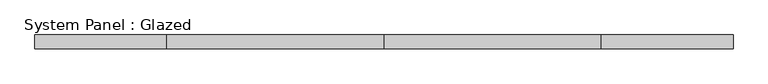
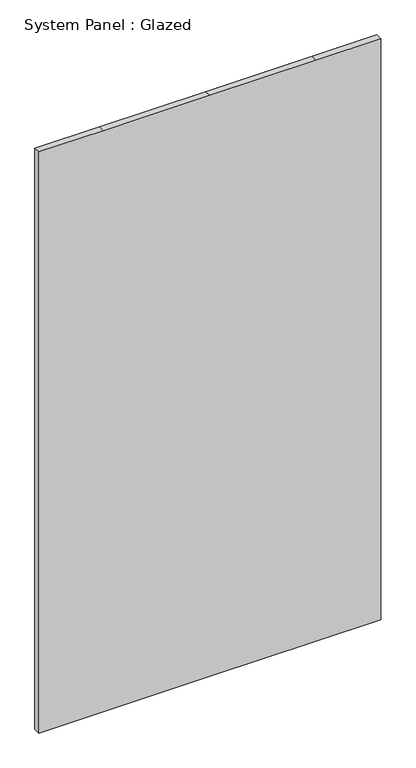
"""IFC4 building model written with IfcOpenShell, lengths in millimetres: plate geometry, System Panel : Glazed."""

from ifc_helpers import new_model, si_unit, frame, origin, place, context, project, spatial, polyline, outline, extrude, source, transform, mapped, element, save


def system_panel_glazed_68e096a6(model_context):
    return source(origin(), model_context, "Body", "SweptSolid", [
        extrude(outline(polyline([(0.0, -633.4180914), (0.0, -393.7735115), (0.0, 0.0), (0.0, 393.7735115), (0.0, 633.4180914), (2276.8533559, 633.4180914), (2276.8533559, 393.7735115), (2276.8533559, 0.0), (2276.8533559, -393.7735115), (2276.8533559, -633.4180914), (0.0, -633.4180914)])), frame((0.0, 24.5, 0.0), z_axis=(0.0, 1.0, 0.0), x_axis=(0.0, 0.0, 1.0)), (0.0, 0.0, 1.0), 25.0),
    ])


if __name__ == "__main__":
    model = new_model("IFC4")
    model_context = context("Model", 3, world=origin())
    ifc_project = project(units=[si_unit("LENGTHUNIT", "METRE", prefix="MILLI")], contexts=[model_context])
    site = spatial("IfcSite", under=ifc_project)
    building = spatial("IfcBuilding", under=site)
    placement = place(None, origin())
    system_panel_glazed_shape = system_panel_glazed_68e096a6(model_context)
    element("IfcPlate", 1, ObjectType="System Panel : Glazed", at=placement, inside=building, context=model_context, shape_type="MappedRepresentation", body=[
        mapped(system_panel_glazed_shape, transform((0.0, 0.0, 0.0), x_axis=(1.0, 0.0, 0.0), y_axis=(0.0, 1.0, 0.0), z_axis=(0.0, 0.0, 1.0))),
    ])
    save(model, "model.ifc")
